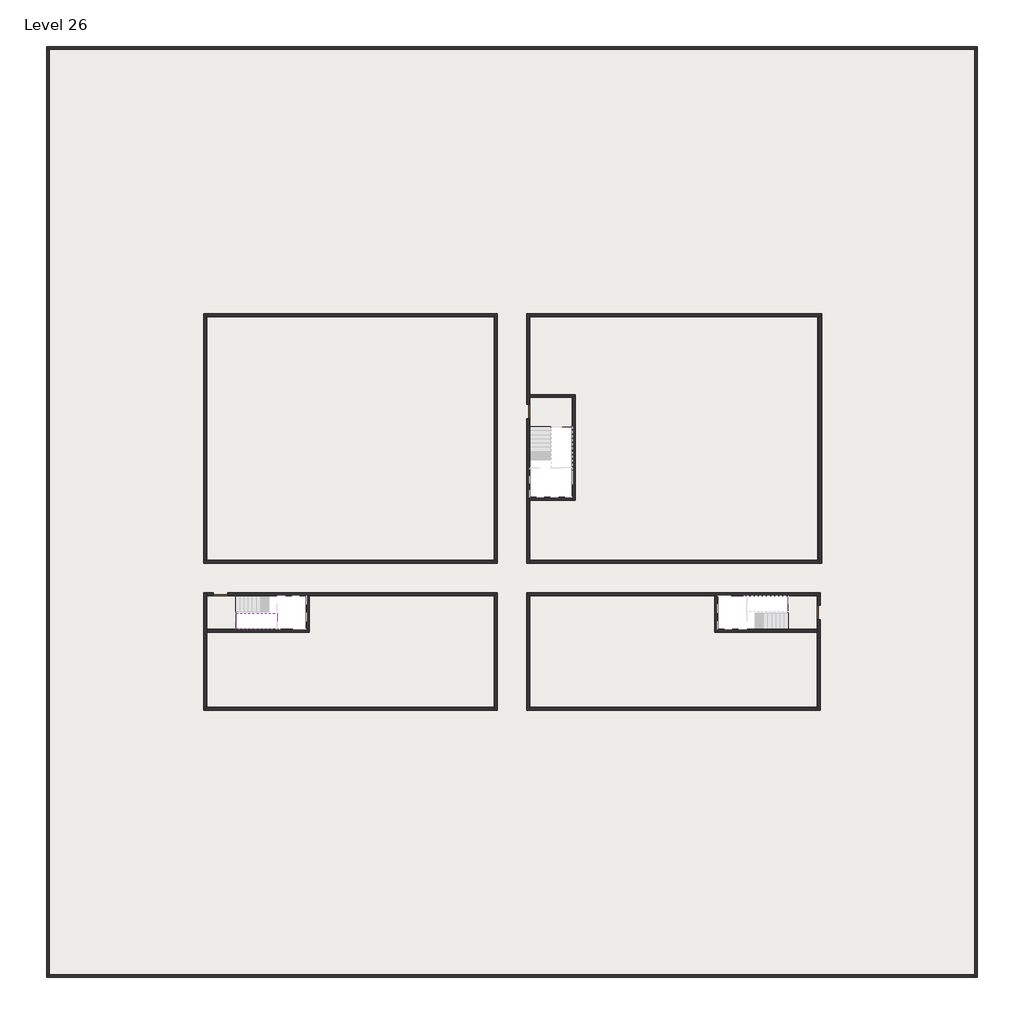
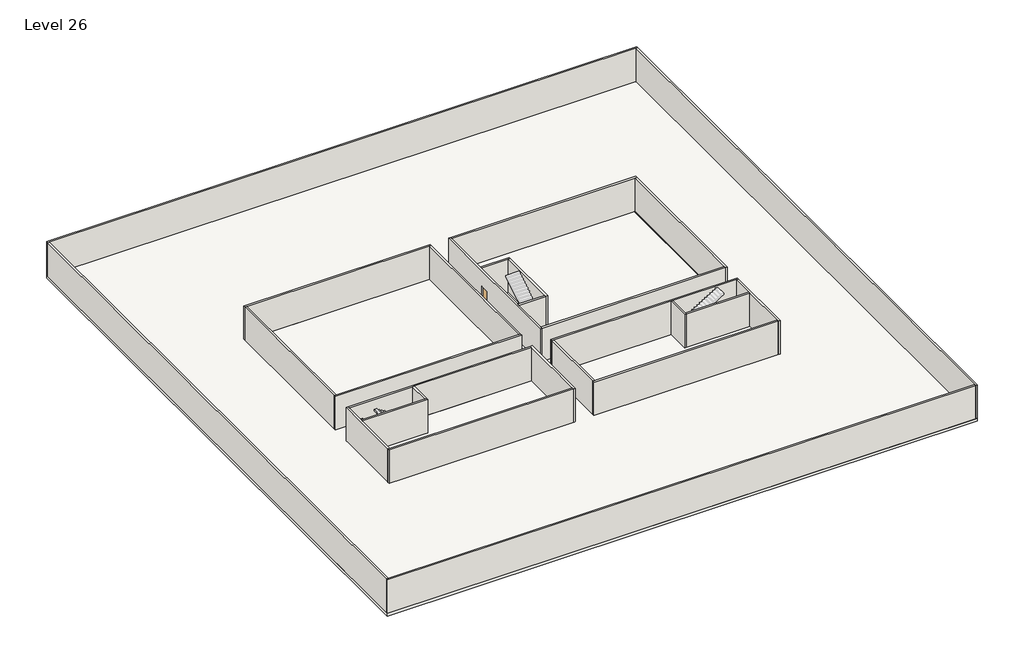
# One storey, part 1 of 2: 27 walls, 3 doors, 3 slabs, 1 stair flight.
"""IFC4 building model written with IfcOpenShell, lengths in millimetres."""

import ifcopenshell
import ifcopenshell.guid

model = None  # the IFC model being written
_history = None  # IfcOwnerHistory: only IFC2X3 demands one
_inside = {}  # id of a spatial element -> (the spatial element, [elements in it])
_under = {}  # id of a project, library or spatial element -> (it, [spatial elements below it])
_declared = {}  # id of a project -> (the project, [libraries it declares])
_typed = {}  # id of a type object -> (the type object, [elements of that type])
_made_of = {}  # id of a material, layer set ... -> (it, [elements and type objects made of it])


def new_model(schema):
    """Start an empty IFC model of exactly this schema.

    Asked for "IFC4X3", IfcOpenShell would pick the latest addendum, in which some entities
    have other attributes; the version numbers below select the first issue.
    IFC2X3 requires an IfcOwnerHistory on every rooted entity: one is made here for all.
    """
    global model, _history
    if schema == "IFC4X3":
        model = ifcopenshell.file(schema_version=(4, 3, 0, 0))
    else:
        model = ifcopenshell.file(schema=schema)
    _inside.clear()
    _under.clear()
    _declared.clear()
    _typed.clear()
    _made_of.clear()
    _history = None
    if model.schema == "IFC2X3":
        org = make("IfcOrganization", Name="unknown")
        user = make(
            "IfcPersonAndOrganization",
            ThePerson=make("IfcPerson", FamilyName="unknown"),
            TheOrganization=org,
        )
        app = make(
            "IfcApplication",
            ApplicationDeveloper=org,
            Version="unknown",
            ApplicationFullName="unknown",
            ApplicationIdentifier="unknown",
        )
        _history = make(
            "IfcOwnerHistory",
            OwningUser=user,
            OwningApplication=app,
            ChangeAction="ADDED",
            CreationDate=0,
        )
    return model


def make(cls, **values):
    """One entity of the class cls with the attributes given. An attribute that is None is left unset."""
    return model.create_entity(
        cls, **{name: value for name, value in values.items() if value is not None}
    )


def rooted(cls, **values):
    """An entity with a GlobalId (a new one), such as an element, a storey or a relation."""
    return make(cls, GlobalId=ifcopenshell.guid.new(), OwnerHistory=_history, **values)


def si_unit(unit_type, name, prefix=None):
    """IfcSIUnit, for example si_unit("LENGTHUNIT", "METRE", prefix="MILLI")."""
    return make("IfcSIUnit", UnitType=unit_type, Prefix=prefix, Name=name)


def assignment(units):
    """IfcUnitAssignment: the units of a project."""
    return None if units is None else make("IfcUnitAssignment", Units=units)


def point(xyz):
    """IfcCartesianPoint."""
    return None if xyz is None else make("IfcCartesianPoint", Coordinates=xyz)


def direction(xyz):
    """IfcDirection."""
    return None if xyz is None else make("IfcDirection", DirectionRatios=xyz)


def frame(location, z_axis=None, x_axis=None):
    """IfcAxis2Placement3D, a coordinate frame: its origin and axes. An axis left out is left unset."""
    return make(
        "IfcAxis2Placement3D",
        Location=point(location),
        Axis=direction(z_axis),
        RefDirection=direction(x_axis),
    )


def origin():
    """The frame at (0, 0, 0) with its axes left unset."""
    return frame((0.0, 0.0, 0.0))


def origin_with_axes():
    """The frame at (0, 0, 0) with the z axis (0, 0, 1) and the x axis (1, 0, 0) written out."""
    return frame((0.0, 0.0, 0.0), z_axis=(0.0, 0.0, 1.0), x_axis=(1.0, 0.0, 0.0))


def place(relative_to, where):
    """IfcLocalPlacement: puts the frame where relative to a parent placement (None: the world)."""
    return make(
        "IfcLocalPlacement", PlacementRelTo=relative_to, RelativePlacement=where
    )


def context(
    kind, dimensions, precision=None, world=None, true_north=None, identifier=None
):
    """IfcGeometricRepresentationContext, for example the 3D "Model" context."""
    return make(
        "IfcGeometricRepresentationContext",
        ContextIdentifier=identifier,
        ContextType=kind,
        CoordinateSpaceDimension=dimensions,
        Precision=precision,
        WorldCoordinateSystem=world,
        TrueNorth=true_north,
    )


def project(units=None, contexts=None):
    """IfcProject with its units and contexts."""
    return rooted(
        "IfcProject",
        Name="project",
        RepresentationContexts=contexts,
        UnitsInContext=assignment(units),
    )


def spatial(cls, under=None, at=None, **own):
    """A site, building, storey or space (cls), placed at a placement, below another one or the project."""
    s = rooted(cls, ObjectPlacement=at, **own)
    if under is not None:
        _under.setdefault(under.id(), (under, []))[1].append(s)
    return s


def polyline(points):
    """IfcPolyline through the points."""
    return make("IfcPolyline", Points=[point(p) for p in points])


def outline(outer, holes=None, kind="AREA"):
    """IfcArbitraryClosedProfileDef: a profile drawn as a closed curve; with holes, ...WithVoids."""
    if holes is None:
        return make("IfcArbitraryClosedProfileDef", ProfileType=kind, OuterCurve=outer)
    return make(
        "IfcArbitraryProfileDefWithVoids",
        ProfileType=kind,
        OuterCurve=outer,
        InnerCurves=holes,
    )


def extrude(swept, where, along, depth):
    """IfcExtrudedAreaSolid: the profile swept, set in the frame where, extruded along a direction by depth."""
    return make(
        "IfcExtrudedAreaSolid",
        SweptArea=swept,
        Position=where,
        ExtrudedDirection=direction(along),
        Depth=depth,
    )


def faces_of(points, faces, orient=None, outer=None):
    """IfcFace entities. A face is a list of loops; a loop is a list of indices into points, from 0.

    orient and outer hold one flag for each loop. By default every Orientation is true, the
    first loop of a face is its IfcFaceOuterBound and the others are IfcFaceBound.
    """
    made = []
    for i, loops in enumerate(faces):
        bounds = []
        for j, loop in enumerate(loops):
            is_outer = j == 0 if outer is None else outer[i][j]
            bounds.append(
                make(
                    "IfcFaceOuterBound" if is_outer else "IfcFaceBound",
                    Bound=make("IfcPolyLoop", Polygon=[points[k] for k in loop]),
                    Orientation=True if orient is None else orient[i][j],
                )
            )
        made.append(make("IfcFace", Bounds=bounds))
    return made


def faceted_brep(points, faces, orient=None, outer=None, voids=None):
    """IfcFacetedBrep: a solid bounded by flat faces; with voids (closed shells), ...WithVoids."""
    shared = [point(p) for p in points]
    hull = make("IfcClosedShell", CfsFaces=faces_of(shared, faces, orient, outer))
    if voids is None:
        return make("IfcFacetedBrep", Outer=hull)
    return make(
        "IfcFacetedBrepWithVoids",
        Outer=hull,
        Voids=[
            make(cls, CfsFaces=faces_of(shared, fs, o, b)) for cls, fs, o, b in voids
        ],
    )


def shape(context_of_items, identifier, shape_type, items):
    """IfcShapeRepresentation: the items that make up one representation, for example the "Body"."""
    return make(
        "IfcShapeRepresentation",
        ContextOfItems=context_of_items,
        RepresentationIdentifier=identifier,
        RepresentationType=shape_type,
        Items=items,
    )


def source(mapping_origin, context_of_items, identifier, shape_type, items):
    """IfcRepresentationMap: a shape defined once, which mapped items show again and again."""
    return make(
        "IfcRepresentationMap",
        MappingOrigin=mapping_origin,
        MappedRepresentation=shape(context_of_items, identifier, shape_type, items),
    )


def transform(
    local_origin,
    x_axis=None,
    y_axis=None,
    z_axis=None,
    scale=None,
    scale2=None,
    scale3=None,
    uniform=True,
):
    """IfcCartesianTransformationOperator3D, or its non-uniform kind. x_axis, y_axis, z_axis: its Axis1, 2, 3."""
    if uniform:
        return make(
            "IfcCartesianTransformationOperator3D",
            Axis1=direction(x_axis),
            Axis2=direction(y_axis),
            LocalOrigin=point(local_origin),
            Scale=scale,
            Axis3=direction(z_axis),
        )
    return make(
        "IfcCartesianTransformationOperator3DnonUniform",
        Axis1=direction(x_axis),
        Axis2=direction(y_axis),
        LocalOrigin=point(local_origin),
        Scale=scale,
        Axis3=direction(z_axis),
        Scale2=scale2,
        Scale3=scale3,
    )


def mapped(mapping_source, mapping_target):
    """IfcMappedItem: shows the shape of a source again, moved by a transform."""
    return make(
        "IfcMappedItem", MappingSource=mapping_source, MappingTarget=mapping_target
    )


def made_of(thing, what):
    """Note that an element or type object is made of a material, layer set ...; save() writes the relation."""
    if what is not None:
        _made_of.setdefault(what.id(), (what, []))[1].append(thing)
    return thing


def element(
    cls,
    number,
    at=None,
    inside=None,
    cuts=None,
    type_object=None,
    material=None,
    context=None,
    identifier="Body",
    shape_type=None,
    held_by="IfcProductDefinitionShape",
    body=None,
    shapes=None,
    **own,
):
    """One element of the class cls, such as IfcWall. Its Tag is "e" and its number.

    at: its placement. inside: the storey or other place that contains it. cuts: it is an
    opening in that element (IfcRelVoidsElement). A single representation is given by context,
    identifier, shape_type and body (its items); several are given by shapes. held_by: the class
    of the entity that holds the representations. save() writes the other relations.
    """
    e = rooted(cls, Tag="e%d" % number, ObjectPlacement=at, **own)
    if body is not None:
        shapes = [shape(context, identifier, shape_type, body)]
    if shapes is not None:
        e.Representation = make(held_by, Representations=shapes)
    if inside is not None:
        _inside.setdefault(inside.id(), (inside, []))[1].append(e)
    if cuts is not None:
        rooted(
            "IfcRelVoidsElement", RelatingBuildingElement=cuts, RelatedOpeningElement=e
        )
    if type_object is not None:
        _typed.setdefault(type_object.id(), (type_object, []))[1].append(e)
    return made_of(e, material)


def aggregate(whole, parts):
    """IfcRelAggregates: a whole, such as a stair, and the parts it consists of."""
    return rooted("IfcRelAggregates", RelatingObject=whole, RelatedObjects=parts)


def save(model, path):
    """Write the relations noted so far, then the file.

    IfcRelAggregates (storeys below a building ...), IfcRelContainedInSpatialStructure (elements
    in a storey), IfcRelDefinesByType, IfcRelAssociatesMaterial and IfcRelDeclares: one each for
    every whole, place, type object, material and project.
    """
    for whole, parts in _under.values():
        aggregate(whole, parts)
    for where, things in _inside.values():
        rooted(
            "IfcRelContainedInSpatialStructure",
            RelatedElements=things,
            RelatingStructure=where,
        )
    for kind, things in _typed.values():
        rooted("IfcRelDefinesByType", RelatedObjects=things, RelatingType=kind)
    for what, things in _made_of.values():
        rooted("IfcRelAssociatesMaterial", RelatedObjects=things, RelatingMaterial=what)
    for by, libraries in _declared.values():
        rooted("IfcRelDeclares", RelatingContext=by, RelatedDefinitions=libraries)
    model.write(path)


def door_fb3c37fd(model_context):
    return source(origin(), model_context, "Body", "SweptSolid", [
        extrude(outline(polyline([(500.0, 49.0), (-500.0, 49.0), (-500.0, 100.0), (500.0, 100.0), (500.0, 49.0)])), origin_with_axes(), (0.0, 0.0, 1.0), 2100.0),
    ])


def door_0317a72c(model_context):
    return source(origin(), model_context, "Body", "SweptSolid", [
        extrude(outline(polyline([(500.0, -49.0), (500.0, -100.0), (-500.0, -100.0), (-500.0, -49.0), (500.0, -49.0)])), origin_with_axes(), (0.0, 0.0, 1.0), 2100.0),
    ])


model = new_model("IFC4")

# Units and contexts
model_context = context("Model", 3, world=origin())
ifc_project = project(units=[si_unit("LENGTHUNIT", "METRE", prefix="MILLI")], contexts=[model_context])

# Site, building, storey
site = spatial("IfcSite", under=ifc_project)
building = spatial("IfcBuilding", under=site)
storey = spatial("IfcBuildingStorey", under=building, Name="Level 26", Elevation=95000.0)

# Doors
placement = place(None, origin())
door_shape = door_fb3c37fd(model_context)
element("IfcDoor", 1, at=placement, inside=storey, context=model_context, shape_type="MappedRepresentation", body=[
    mapped(door_shape, transform((4340.1058784, -42818.09644, 95000.0), x_axis=(-1.0, 0.0, 0.0), y_axis=(0.0, -1.0, 0.0), z_axis=(0.0, 0.0, 1.0))),
])
door_2_shape = door_0317a72c(model_context)
element("IfcDoor", 2, at=placement, inside=storey, context=model_context, shape_type="MappedRepresentation", body=[
    mapped(door_2_shape, transform((25290.1058784, -30368.09644, 95000.0), x_axis=(0.0, 1.0, 0.0), y_axis=(-1.0, 0.0, 0.0), z_axis=(0.0, 0.0, 1.0))),
])
element("IfcDoor", 3, at=placement, inside=storey, context=model_context, shape_type="MappedRepresentation", body=[
    mapped(door_2_shape, transform((45090.1058784, -44068.09644, 95000.0), x_axis=(0.0, -1.0, 0.0), y_axis=(1.0, 0.0, 0.0), z_axis=(0.0, 0.0, 1.0))),
])

# Slabs
element("IfcSlab", 4, at=placement, inside=storey, context=model_context, shape_type="SweptSolid", body=[
    extrude(outline(polyline([(55890.1058784, -5518.09644), (55890.1058784, -68918.09644), (-7509.8941216, -68918.09644), (-7509.8941216, -5518.09644), (55890.1058784, -5518.09644)]), holes=[polyline([(22990.1058784, -23918.09644), (3390.1058784, -23918.09644), (3390.1058784, -40518.09644), (22990.1058784, -40518.09644), (22990.1058784, -23918.09644)]), polyline([(44990.1058784, -23918.09644), (25390.1058784, -23918.09644), (25390.1058784, -40518.09644), (44990.1058784, -40518.09644), (44990.1058784, -23918.09644)]), polyline([(44990.1058784, -42918.09644), (25390.1058784, -42918.09644), (25390.1058784, -50518.09644), (44990.1058784, -50518.09644), (44990.1058784, -42918.09644)]), polyline([(22990.1058784, -42918.09644), (3390.1058784, -42918.09644), (3390.1058784, -50518.09644), (22990.1058784, -50518.09644), (22990.1058784, -42918.09644)])]), frame((0.0, 0.0, 94700.0), z_axis=(0.0, 0.0, 1.0), x_axis=(1.0, 0.0, 0.0)), (0.0, 0.0, 1.0), 300.0),
])
element("IfcSlab", 5, at=placement, inside=storey, context=model_context, shape_type="SweptSolid", body=[
    extrude(outline(polyline([(22990.1058784, -23918.09644), (22990.1058784, -40518.09644), (3390.1058784, -40518.09644), (3390.1058784, -23918.09644), (22990.1058784, -23918.09644)])), frame((0.0, 0.0, 94700.0), z_axis=(0.0, 0.0, 1.0), x_axis=(1.0, 0.0, 0.0)), (0.0, 0.0, 1.0), 300.0),
    extrude(outline(polyline([(44990.1058784, -23918.09644), (44990.1058784, -40518.09644), (25390.1058784, -40518.09644), (25390.1058784, -36418.09644), (28490.1058784, -36418.09644), (28490.1058784, -29218.09644), (25390.1058784, -29218.09644), (25390.1058784, -23918.09644), (44990.1058784, -23918.09644)])), frame((0.0, 0.0, 94700.0), z_axis=(0.0, 0.0, 1.0), x_axis=(1.0, 0.0, 0.0)), (0.0, 0.0, 1.0), 300.0),
    extrude(outline(polyline([(22990.1058784, -42918.09644), (22990.1058784, -50518.09644), (3390.1058784, -50518.09644), (3390.1058784, -45418.09644), (10390.1058784, -45418.09644), (10390.1058784, -42918.09644), (22990.1058784, -42918.09644)])), frame((0.0, 0.0, 94700.0), z_axis=(0.0, 0.0, 1.0), x_axis=(1.0, 0.0, 0.0)), (0.0, 0.0, 1.0), 300.0),
    extrude(outline(polyline([(37990.1058784, -42918.09644), (37990.1058784, -45418.09644), (44990.1058784, -45418.09644), (44990.1058784, -50518.09644), (25390.1058784, -50518.09644), (25390.1058784, -42918.09644), (37990.1058784, -42918.09644)])), frame((0.0, 0.0, 94700.0), z_axis=(0.0, 0.0, 1.0), x_axis=(1.0, 0.0, 0.0)), (0.0, 0.0, 1.0), 300.0),
])
element("IfcSlab", 6, at=placement, inside=storey, context=model_context, shape_type="SweptSolid", body=[
    extrude(outline(polyline([(44990.1058784, -42918.09644), (44990.1058784, -45218.09644), (42990.1058784, -45218.09644), (42990.1058784, -42918.09644), (44990.1058784, -42918.09644)])), frame((0.0, 0.0, 94700.0), z_axis=(0.0, 0.0, 1.0), x_axis=(1.0, 0.0, 0.0)), (0.0, 0.0, 1.0), 300.0),
    extrude(outline(polyline([(5390.1058784, -42918.09644), (5390.1058784, -45218.09644), (3390.1058784, -45218.09644), (3390.1058784, -42918.09644), (5390.1058784, -42918.09644)])), frame((0.0, 0.0, 94700.0), z_axis=(0.0, 0.0, 1.0), x_axis=(1.0, 0.0, 0.0)), (0.0, 0.0, 1.0), 300.0),
    extrude(outline(polyline([(28290.1058784, -29418.09644), (28290.1058784, -31418.09644), (25390.1058784, -31418.09644), (25390.1058784, -29418.09644), (28290.1058784, -29418.09644)])), frame((0.0, 0.0, 94700.0), z_axis=(0.0, 0.0, 1.0), x_axis=(1.0, 0.0, 0.0)), (0.0, 0.0, 1.0), 300.0),
])

# Stair flight
element("IfcStairFlight", 7, at=placement, inside=storey, context=model_context, shape_type="Brep", body=[
    faceted_brep([(7910.1058784, -45218.09644, 97072.7272727), (8190.1058784, -45218.09644, 97072.7272727), (8190.1058784, -44118.09644, 97072.7272727), (7910.1058784, -44118.09644, 97072.7272727), (7910.1058784, -45218.09644, 96896.4823932), (8190.1058784, -45218.09644, 96723.7551205), (8190.1058784, -45218.09644, 96900.0), (8190.1058784, -44118.09644, 96723.7551205), (7910.1058784, -44118.09644, 96896.4823932), (7630.1058784, -45218.09644, 97245.4545455), (7910.1058784, -45218.09644, 97245.4545455), (7910.1058784, -44118.09644, 97245.4545455), (7630.1058784, -44118.09644, 97245.4545455), (7630.1058784, -45218.09644, 97069.209666), (7630.1058784, -44118.09644, 97069.209666), (7350.1058784, -45218.09644, 97418.1818182), (7630.1058784, -45218.09644, 97418.1818182), (7630.1058784, -44118.09644, 97418.1818182), (7350.1058784, -44118.09644, 97418.1818182), (7350.1058784, -45218.09644, 97241.9369387), (7350.1058784, -44118.09644, 97241.9369387), (7070.1058784, -45218.09644, 97590.9090909), (7350.1058784, -45218.09644, 97590.9090909), (7350.1058784, -44118.09644, 97590.9090909), (7070.1058784, -44118.09644, 97590.9090909), (7070.1058784, -45218.09644, 97414.6642114), (7070.1058784, -44118.09644, 97414.6642114), (6790.1058784, -45218.09644, 97763.6363636), (7070.1058784, -45218.09644, 97763.6363636), (7070.1058784, -44118.09644, 97763.6363636), (6790.1058784, -44118.09644, 97763.6363636), (6790.1058784, -45218.09644, 97587.3914841), (6790.1058784, -44118.09644, 97587.3914841), (6510.1058784, -45218.09644, 97936.3636364), (6790.1058784, -45218.09644, 97936.3636364), (6790.1058784, -44118.09644, 97936.3636364), (6510.1058784, -44118.09644, 97936.3636364), (6510.1058784, -45218.09644, 97760.1187569), (6510.1058784, -44118.09644, 97760.1187569), (6230.1058784, -45218.09644, 98109.0909091), (6510.1058784, -45218.09644, 98109.0909091), (6510.1058784, -44118.09644, 98109.0909091), (6230.1058784, -44118.09644, 98109.0909091), (6230.1058784, -45218.09644, 97932.8460296), (6230.1058784, -44118.09644, 97932.8460296), (5950.1058784, -45218.09644, 98281.8181818), (6230.1058784, -45218.09644, 98281.8181818), (6230.1058784, -44118.09644, 98281.8181818), (5950.1058784, -44118.09644, 98281.8181818), (5950.1058784, -45218.09644, 98105.5733023), (5950.1058784, -44118.09644, 98105.5733023), (5670.1058784, -45218.09644, 98454.5454545), (5950.1058784, -45218.09644, 98454.5454545), (5950.1058784, -44118.09644, 98454.5454545), (5670.1058784, -44118.09644, 98454.5454545), (5670.1058784, -45218.09644, 98278.3005751), (5670.1058784, -44118.09644, 98278.3005751), (5390.1058784, -45218.09644, 98627.2727273), (5670.1058784, -45218.09644, 98627.2727273), (5670.1058784, -44118.09644, 98627.2727273), (5390.1058784, -44118.09644, 98627.2727273), (5390.1058784, -45218.09644, 98451.0278478), (5390.1058784, -44118.09644, 98451.0278478)], [[[0, 1, 2, 3]], [[1, 0, 4, 5, 6]], [[2, 1, 6, 5, 7]], [[3, 2, 7, 8]], [[9, 10, 11, 12]], [[10, 9, 13, 4, 0]], [[11, 10, 0, 3]], [[12, 11, 3, 8, 14]], [[15, 16, 17, 18]], [[16, 15, 19, 13, 9]], [[17, 16, 9, 12]], [[18, 17, 12, 14, 20]], [[21, 22, 23, 24]], [[22, 21, 25, 19, 15]], [[23, 22, 15, 18]], [[24, 23, 18, 20, 26]], [[27, 28, 29, 30]], [[28, 27, 31, 25, 21]], [[29, 28, 21, 24]], [[30, 29, 24, 26, 32]], [[33, 34, 35, 36]], [[34, 33, 37, 31, 27]], [[35, 34, 27, 30]], [[36, 35, 30, 32, 38]], [[39, 40, 41, 42]], [[40, 39, 43, 37, 33]], [[41, 40, 33, 36]], [[42, 41, 36, 38, 44]], [[45, 46, 47, 48]], [[46, 45, 49, 43, 39]], [[47, 46, 39, 42]], [[48, 47, 42, 44, 50]], [[51, 52, 53, 54]], [[52, 51, 55, 49, 45]], [[53, 52, 45, 48]], [[54, 53, 48, 50, 56]], [[57, 58, 59, 60]], [[58, 57, 61, 55, 51]], [[59, 58, 51, 54]], [[60, 59, 54, 56, 62]], [[57, 60, 62, 61]], [[5, 4, 13, 19, 25, 31, 37, 43, 49, 55, 61, 62, 56, 50, 44, 38, 32, 26, 20, 14, 8, 7]]]),
])

# Walls
element("IfcWall", 8, at=placement, inside=storey, context=model_context, shape_type="Brep", body=[
    faceted_brep([(-7509.8941216, -5718.09644, 95000.0), (-7309.8941216, -5718.09644, 95000.0), (55690.1058784, -5718.09644, 95000.0), (55890.1058784, -5718.09644, 95000.0), (55890.1058784, -5718.09644, 98800.0), (55690.1058784, -5718.09644, 98800.0), (-7309.8941216, -5718.09644, 98800.0), (-7509.8941216, -5718.09644, 98800.0), (-7509.8941216, -5518.09644, 95000.0), (-7509.8941216, -5518.09644, 98800.0), (55890.1058784, -5518.09644, 98800.0), (55890.1058784, -5518.09644, 95000.0)], [[[0, 1, 2, 3, 4, 5, 6, 7]], [[8, 9, 10, 11]], [[3, 2, 1, 0, 8, 11]], [[7, 6, 5, 4, 10, 9]], [[4, 3, 11, 10]], [[0, 7, 9, 8]]]),
])
element("IfcWall", 9, at=placement, inside=storey, context=model_context, shape_type="Brep", body=[
    faceted_brep([(55690.1058784, -5718.09644, 95000.0), (55690.1058784, -68718.09644, 95000.0), (55690.1058784, -68918.09644, 95000.0), (55690.1058784, -68918.09644, 98800.0), (55690.1058784, -68718.09644, 98800.0), (55690.1058784, -5718.09644, 98800.0), (55890.1058784, -5718.09644, 95000.0), (55890.1058784, -5718.09644, 98800.0), (55890.1058784, -68918.09644, 98800.0), (55890.1058784, -68918.09644, 95000.0)], [[[0, 1, 2, 3, 4, 5]], [[6, 7, 8, 9]], [[2, 1, 0, 6, 9]], [[5, 4, 3, 8, 7]], [[0, 5, 7, 6]], [[3, 2, 9, 8]]]),
])
element("IfcWall", 10, at=placement, inside=storey, context=model_context, shape_type="Brep", body=[
    faceted_brep([(55690.1058784, -68718.09644, 95000.0), (-7309.8941216, -68718.09644, 95000.0), (-7509.8941216, -68718.09644, 95000.0), (-7509.8941216, -68718.09644, 98800.0), (-7309.8941216, -68718.09644, 98800.0), (55690.1058784, -68718.09644, 98800.0), (55690.1058784, -68918.09644, 95000.0), (55690.1058784, -68918.09644, 98800.0), (-7509.8941216, -68918.09644, 98800.0), (-7509.8941216, -68918.09644, 95000.0)], [[[0, 1, 2, 3, 4, 5]], [[6, 7, 8, 9]], [[2, 1, 0, 6, 9]], [[5, 4, 3, 8, 7]], [[0, 5, 7, 6]], [[3, 2, 9, 8]]]),
])
element("IfcWall", 11, at=placement, inside=storey, context=model_context, shape_type="SweptSolid", body=[
    extrude(outline(polyline([(-7309.8941216, -5718.09644), (-7309.8941216, -68718.09644), (-7509.8941216, -68718.09644), (-7509.8941216, -5718.09644), (-7309.8941216, -5718.09644)])), frame((0.0, 0.0, 95000.0), z_axis=(0.0, 0.0, 1.0), x_axis=(1.0, 0.0, 0.0)), (0.0, 0.0, 1.0), 3800.0),
])
element("IfcWall", 12, at=placement, inside=storey, context=model_context, shape_type="Brep", body=[
    faceted_brep([(3190.1058784, -23918.09644, 95000.0), (3390.1058784, -23918.09644, 95000.0), (22990.1058784, -23918.09644, 95000.0), (23190.1058784, -23918.09644, 95000.0), (23190.1058784, -23918.09644, 98800.0), (22990.1058784, -23918.09644, 98800.0), (3390.1058784, -23918.09644, 98800.0), (3190.1058784, -23918.09644, 98800.0), (3190.1058784, -23718.09644, 95000.0), (3190.1058784, -23718.09644, 98800.0), (23190.1058784, -23718.09644, 98800.0), (23190.1058784, -23718.09644, 95000.0)], [[[0, 1, 2, 3, 4, 5, 6, 7]], [[8, 9, 10, 11]], [[3, 2, 1, 0, 8, 11]], [[7, 6, 5, 4, 10, 9]], [[0, 7, 9, 8]], [[4, 3, 11, 10]]]),
])
element("IfcWall", 13, at=placement, inside=storey, context=model_context, shape_type="Brep", body=[
    faceted_brep([(45090.1058784, -23918.09644, 95000.0), (45090.1058784, -40518.09644, 95000.0), (45090.1058784, -40718.09644, 95000.0), (45090.1058784, -40718.09644, 98800.0), (45090.1058784, -40518.09644, 98800.0), (45090.1058784, -23918.09644, 98800.0), (45290.1058784, -23918.09644, 95000.0), (45290.1058784, -23918.09644, 98800.0), (45290.1058784, -40718.09644, 98800.0), (45290.1058784, -40718.09644, 95000.0)], [[[0, 1, 2, 3, 4, 5]], [[6, 7, 8, 9]], [[2, 1, 0, 6, 9]], [[5, 4, 3, 8, 7]], [[3, 2, 9, 8]], [[0, 5, 7, 6]]]),
])
element("IfcWall", 14, at=placement, inside=storey, context=model_context, shape_type="Brep", body=[
    faceted_brep([(44990.1058784, -50518.09644, 95000.0), (25390.1058784, -50518.09644, 95000.0), (25190.1058784, -50518.09644, 95000.0), (25190.1058784, -50518.09644, 98800.0), (25390.1058784, -50518.09644, 98800.0), (44990.1058784, -50518.09644, 98800.0), (44990.1058784, -50718.09644, 95000.0), (44990.1058784, -50718.09644, 98800.0), (25190.1058784, -50718.09644, 98800.0), (25190.1058784, -50718.09644, 95000.0)], [[[0, 1, 2, 3, 4, 5]], [[6, 7, 8, 9]], [[2, 1, 0, 6, 9]], [[5, 4, 3, 8, 7]], [[3, 2, 9, 8]], [[0, 5, 7, 6]]]),
])
element("IfcWall", 15, at=placement, inside=storey, context=model_context, shape_type="Brep", body=[
    faceted_brep([(3390.1058784, -50518.09644, 95000.0), (3390.1058784, -45418.09644, 95000.0), (3390.1058784, -45218.09644, 95000.0), (3390.1058784, -42918.09644, 95000.0), (3390.1058784, -42718.09644, 95000.0), (3390.1058784, -42718.09644, 98800.0), (3390.1058784, -42918.09644, 98800.0), (3390.1058784, -45218.09644, 98800.0), (3390.1058784, -45418.09644, 98800.0), (3390.1058784, -50518.09644, 98800.0), (3190.1058784, -50518.09644, 95000.0), (3190.1058784, -50518.09644, 98800.0), (3190.1058784, -42718.09644, 98800.0), (3190.1058784, -42718.09644, 95000.0)], [[[0, 1, 2, 3, 4, 5, 6, 7, 8, 9]], [[10, 11, 12, 13]], [[4, 3, 2, 1, 0, 10, 13]], [[9, 8, 7, 6, 5, 12, 11]], [[0, 9, 11, 10]], [[5, 4, 13, 12]]]),
])
element("IfcWall", 16, at=placement, inside=storey, context=model_context, shape_type="SweptSolid", body=[
    extrude(outline(polyline([(22990.1058784, -40518.09644), (22990.1058784, -23918.09644), (23190.1058784, -23918.09644), (23190.1058784, -40518.09644), (22990.1058784, -40518.09644)])), frame((0.0, 0.0, 95000.0), z_axis=(0.0, 0.0, 1.0), x_axis=(1.0, 0.0, 0.0)), (0.0, 0.0, 1.0), 3800.0),
])
element("IfcWall", 17, at=placement, inside=storey, context=model_context, shape_type="Brep", body=[
    faceted_brep([(23190.1058784, -40518.09644, 95000.0), (22990.1058784, -40518.09644, 95000.0), (3390.1058784, -40518.09644, 95000.0), (3190.1058784, -40518.09644, 95000.0), (3190.1058784, -40518.09644, 98800.0), (3390.1058784, -40518.09644, 98800.0), (22990.1058784, -40518.09644, 98800.0), (23190.1058784, -40518.09644, 98800.0), (23190.1058784, -40718.09644, 95000.0), (23190.1058784, -40718.09644, 98800.0), (3190.1058784, -40718.09644, 98800.0), (3190.1058784, -40718.09644, 95000.0)], [[[0, 1, 2, 3, 4, 5, 6, 7]], [[8, 9, 10, 11]], [[3, 2, 1, 0, 8, 11]], [[7, 6, 5, 4, 10, 9]], [[4, 3, 11, 10]], [[0, 7, 9, 8]]]),
])
element("IfcWall", 18, at=placement, inside=storey, context=model_context, shape_type="Brep", body=[
    faceted_brep([(3390.1058784, -42918.09644, 95000.0), (3840.1058784, -42918.09644, 95000.0), (3840.1058784, -42918.09644, 97100.0), (4840.1058784, -42918.09644, 97100.0), (4840.1058784, -42918.09644, 95000.0), (10190.1058784, -42918.09644, 95000.0), (10390.1058784, -42918.09644, 95000.0), (22990.1058784, -42918.09644, 95000.0), (22990.1058784, -42918.09644, 98800.0), (10390.1058784, -42918.09644, 98800.0), (10190.1058784, -42918.09644, 98800.0), (3390.1058784, -42918.09644, 98800.0), (3840.1058784, -42718.09644, 97100.0), (3840.1058784, -42718.09644, 95000.0), (3390.1058784, -42718.09644, 95000.0), (3390.1058784, -42718.09644, 98800.0), (22990.1058784, -42718.09644, 98800.0), (22990.1058784, -42718.09644, 95000.0), (4840.1058784, -42718.09644, 95000.0), (4840.1058784, -42718.09644, 97100.0)], [[[0, 1, 2, 3, 4, 5, 6, 7, 8, 9, 10, 11]], [[12, 13, 14, 15, 16, 17, 18, 19]], [[18, 17, 7, 6, 5, 4]], [[14, 13, 1, 0]], [[11, 10, 9, 8, 16, 15]], [[2, 1, 13, 12]], [[3, 2, 12, 19]], [[4, 3, 19, 18]], [[0, 11, 15, 14]], [[8, 7, 17, 16]]]),
])
element("IfcWall", 19, at=placement, inside=storey, context=model_context, shape_type="SweptSolid", body=[
    extrude(outline(polyline([(25390.1058784, -40518.09644), (45090.1058784, -40518.09644), (45090.1058784, -40718.09644), (25390.1058784, -40718.09644), (25390.1058784, -40518.09644)])), frame((0.0, 0.0, 95000.0), z_axis=(0.0, 0.0, 1.0), x_axis=(1.0, 0.0, 0.0)), (0.0, 0.0, 1.0), 3800.0),
])
element("IfcWall", 20, at=placement, inside=storey, context=model_context, shape_type="Brep", body=[
    faceted_brep([(25390.1058784, -29868.09644, 97100.0), (25390.1058784, -29868.09644, 95000.0), (25390.1058784, -29418.09644, 95000.0), (25390.1058784, -29218.09644, 95000.0), (25390.1058784, -23918.09644, 95000.0), (25390.1058784, -23718.09644, 95000.0), (25390.1058784, -23718.09644, 98800.0), (25390.1058784, -23918.09644, 98800.0), (25390.1058784, -29218.09644, 98800.0), (25390.1058784, -29418.09644, 98800.0), (25390.1058784, -36218.09644, 98800.0), (25390.1058784, -36418.09644, 98800.0), (25390.1058784, -40518.09644, 98800.0), (25390.1058784, -40718.09644, 98800.0), (25390.1058784, -40718.09644, 95000.0), (25390.1058784, -40518.09644, 95000.0), (25390.1058784, -36418.09644, 95000.0), (25390.1058784, -36218.09644, 95000.0), (25390.1058784, -30868.09644, 95000.0), (25390.1058784, -30868.09644, 97100.0), (25190.1058784, -23718.09644, 95000.0), (25190.1058784, -29868.09644, 95000.0), (25190.1058784, -29868.09644, 97100.0), (25190.1058784, -30868.09644, 97100.0), (25190.1058784, -30868.09644, 95000.0), (25190.1058784, -40718.09644, 95000.0), (25190.1058784, -40718.09644, 98800.0), (25190.1058784, -23718.09644, 98800.0)], [[[0, 1, 2, 3, 4, 5, 6, 7, 8, 9, 10, 11, 12, 13, 14, 15, 16, 17, 18, 19]], [[20, 21, 22, 23, 24, 25, 26, 27]], [[5, 4, 3, 2, 1, 21, 20]], [[18, 17, 16, 15, 14, 25, 24]], [[13, 12, 11, 10, 9, 8, 7, 6, 27, 26]], [[22, 21, 1, 0]], [[23, 22, 0, 19]], [[24, 23, 19, 18]], [[14, 13, 26, 25]], [[6, 5, 20, 27]]]),
])
element("IfcWall", 21, at=placement, inside=storey, context=model_context, shape_type="SweptSolid", body=[
    extrude(outline(polyline([(3390.1058784, -23918.09644), (3390.1058784, -40518.09644), (3190.1058784, -40518.09644), (3190.1058784, -23918.09644), (3390.1058784, -23918.09644)])), frame((0.0, 0.0, 95000.0), z_axis=(0.0, 0.0, 1.0), x_axis=(1.0, 0.0, 0.0)), (0.0, 0.0, 1.0), 3800.0),
])
element("IfcWall", 22, at=placement, inside=storey, context=model_context, shape_type="Brep", body=[
    faceted_brep([(25390.1058784, -23918.09644, 95000.0), (45090.1058784, -23918.09644, 95000.0), (45290.1058784, -23918.09644, 95000.0), (45290.1058784, -23918.09644, 98800.0), (45090.1058784, -23918.09644, 98800.0), (25390.1058784, -23918.09644, 98800.0), (25390.1058784, -23718.09644, 95000.0), (25390.1058784, -23718.09644, 98800.0), (45290.1058784, -23718.09644, 98800.0), (45290.1058784, -23718.09644, 95000.0)], [[[0, 1, 2, 3, 4, 5]], [[6, 7, 8, 9]], [[2, 1, 0, 6, 9]], [[5, 4, 3, 8, 7]], [[3, 2, 9, 8]], [[0, 5, 7, 6]]]),
])
element("IfcWall", 23, at=placement, inside=storey, context=model_context, shape_type="Brep", body=[
    faceted_brep([(44990.1058784, -44568.09644, 97100.0), (44990.1058784, -44568.09644, 95000.0), (44990.1058784, -45218.09644, 95000.0), (44990.1058784, -45418.09644, 95000.0), (44990.1058784, -50518.09644, 95000.0), (44990.1058784, -50718.09644, 95000.0), (44990.1058784, -50718.09644, 98800.0), (44990.1058784, -50518.09644, 98800.0), (44990.1058784, -45418.09644, 98800.0), (44990.1058784, -45218.09644, 98800.0), (44990.1058784, -42918.09644, 98800.0), (44990.1058784, -42918.09644, 95000.0), (44990.1058784, -43568.09644, 95000.0), (44990.1058784, -43568.09644, 97100.0), (45190.1058784, -50718.09644, 95000.0), (45190.1058784, -44568.09644, 95000.0), (45190.1058784, -44568.09644, 97100.0), (45190.1058784, -43568.09644, 97100.0), (45190.1058784, -43568.09644, 95000.0), (45190.1058784, -42918.09644, 95000.0), (45190.1058784, -42918.09644, 98800.0), (45190.1058784, -50718.09644, 98800.0)], [[[0, 1, 2, 3, 4, 5, 6, 7, 8, 9, 10, 11, 12, 13]], [[14, 15, 16, 17, 18, 19, 20, 21]], [[12, 11, 19, 18]], [[5, 4, 3, 2, 1, 15, 14]], [[10, 9, 8, 7, 6, 21, 20]], [[16, 15, 1, 0]], [[17, 16, 0, 13]], [[18, 17, 13, 12]], [[6, 5, 14, 21]], [[11, 10, 20, 19]]]),
])
element("IfcWall", 24, at=placement, inside=storey, context=model_context, shape_type="Brep", body=[
    faceted_brep([(25390.1058784, -29418.09644, 95000.0), (28290.1058784, -29418.09644, 95000.0), (28490.1058784, -29418.09644, 95000.0), (28490.1058784, -29418.09644, 98800.0), (28290.1058784, -29418.09644, 98800.0), (25390.1058784, -29418.09644, 98800.0), (25390.1058784, -29218.09644, 95000.0), (25390.1058784, -29218.09644, 98800.0), (28490.1058784, -29218.09644, 98800.0), (28490.1058784, -29218.09644, 95000.0)], [[[0, 1, 2, 3, 4, 5]], [[6, 7, 8, 9]], [[2, 1, 0, 6, 9]], [[5, 4, 3, 8, 7]], [[3, 2, 9, 8]], [[0, 5, 7, 6]]]),
])
element("IfcWall", 25, at=placement, inside=storey, context=model_context, shape_type="Brep", body=[
    faceted_brep([(28290.1058784, -29418.09644, 95000.0), (28290.1058784, -36218.09644, 95000.0), (28290.1058784, -36418.09644, 95000.0), (28290.1058784, -36418.09644, 98800.0), (28290.1058784, -36218.09644, 98800.0), (28290.1058784, -29418.09644, 98800.0), (28490.1058784, -29418.09644, 95000.0), (28490.1058784, -29418.09644, 98800.0), (28490.1058784, -36418.09644, 98800.0), (28490.1058784, -36418.09644, 95000.0)], [[[0, 1, 2, 3, 4, 5]], [[6, 7, 8, 9]], [[2, 1, 0, 6, 9]], [[5, 4, 3, 8, 7]], [[3, 2, 9, 8]], [[0, 5, 7, 6]]]),
])
element("IfcWall", 26, at=placement, inside=storey, context=model_context, shape_type="SweptSolid", body=[
    extrude(outline(polyline([(25390.1058784, -36218.09644), (28290.1058784, -36218.09644), (28290.1058784, -36418.09644), (25390.1058784, -36418.09644), (25390.1058784, -36218.09644)])), frame((0.0, 0.0, 95000.0), z_axis=(0.0, 0.0, 1.0), x_axis=(1.0, 0.0, 0.0)), (0.0, 0.0, 1.0), 3800.0),
])
element("IfcWall", 27, at=placement, inside=storey, context=model_context, shape_type="Brep", body=[
    faceted_brep([(3390.1058784, -45418.09644, 95000.0), (10390.1058784, -45418.09644, 95000.0), (10390.1058784, -45418.09644, 98800.0), (3390.1058784, -45418.09644, 98800.0), (3390.1058784, -45218.09644, 95000.0), (3390.1058784, -45218.09644, 98800.0), (10190.1058784, -45218.09644, 98800.0), (10390.1058784, -45218.09644, 98800.0), (10390.1058784, -45218.09644, 95000.0), (10190.1058784, -45218.09644, 95000.0)], [[[0, 1, 2, 3]], [[4, 5, 6, 7, 8, 9]], [[1, 0, 4, 9, 8]], [[3, 2, 7, 6, 5]], [[2, 1, 8, 7]], [[0, 3, 5, 4]]]),
])
element("IfcWall", 28, at=placement, inside=storey, context=model_context, shape_type="SweptSolid", body=[
    extrude(outline(polyline([(10390.1058784, -42918.09644), (10390.1058784, -45218.09644), (10190.1058784, -45218.09644), (10190.1058784, -42918.09644), (10390.1058784, -42918.09644)])), frame((0.0, 0.0, 95000.0), z_axis=(0.0, 0.0, 1.0), x_axis=(1.0, 0.0, 0.0)), (0.0, 0.0, 1.0), 3800.0),
])
element("IfcWall", 29, at=placement, inside=storey, context=model_context, shape_type="Brep", body=[
    faceted_brep([(37990.1058784, -42918.09644, 95000.0), (37990.1058784, -45418.09644, 95000.0), (37990.1058784, -45418.09644, 98800.0), (37990.1058784, -42918.09644, 98800.0), (38190.1058784, -42918.09644, 95000.0), (38190.1058784, -42918.09644, 98800.0), (38190.1058784, -45218.09644, 98800.0), (38190.1058784, -45418.09644, 98800.0), (38190.1058784, -45418.09644, 95000.0), (38190.1058784, -45218.09644, 95000.0)], [[[0, 1, 2, 3]], [[4, 5, 6, 7, 8, 9]], [[1, 0, 4, 9, 8]], [[3, 2, 7, 6, 5]], [[2, 1, 8, 7]], [[0, 3, 5, 4]]]),
])
element("IfcWall", 30, at=placement, inside=storey, context=model_context, shape_type="SweptSolid", body=[
    extrude(outline(polyline([(44990.1058784, -45418.09644), (38190.1058784, -45418.09644), (38190.1058784, -45218.09644), (44990.1058784, -45218.09644), (44990.1058784, -45418.09644)])), frame((0.0, 0.0, 95000.0), z_axis=(0.0, 0.0, 1.0), x_axis=(1.0, 0.0, 0.0)), (0.0, 0.0, 1.0), 3800.0),
])
element("IfcWall", 31, at=placement, inside=storey, context=model_context, shape_type="SweptSolid", body=[
    extrude(outline(polyline([(25190.1058784, -50518.09644), (25190.1058784, -42918.09644), (25390.1058784, -42918.09644), (25390.1058784, -50518.09644), (25190.1058784, -50518.09644)])), frame((0.0, 0.0, 95000.0), z_axis=(0.0, 0.0, 1.0), x_axis=(1.0, 0.0, 0.0)), (0.0, 0.0, 1.0), 3800.0),
])
element("IfcWall", 32, at=placement, inside=storey, context=model_context, shape_type="Brep", body=[
    faceted_brep([(22990.1058784, -42718.09644, 95000.0), (22990.1058784, -42918.09644, 95000.0), (22990.1058784, -50518.09644, 95000.0), (22990.1058784, -50718.09644, 95000.0), (22990.1058784, -50718.09644, 98800.0), (22990.1058784, -50518.09644, 98800.0), (22990.1058784, -42918.09644, 98800.0), (22990.1058784, -42718.09644, 98800.0), (23190.1058784, -42718.09644, 95000.0), (23190.1058784, -42718.09644, 98800.0), (23190.1058784, -50718.09644, 98800.0), (23190.1058784, -50718.09644, 95000.0)], [[[0, 1, 2, 3, 4, 5, 6, 7]], [[8, 9, 10, 11]], [[3, 2, 1, 0, 8, 11]], [[7, 6, 5, 4, 10, 9]], [[4, 3, 11, 10]], [[0, 7, 9, 8]]]),
])
element("IfcWall", 33, at=placement, inside=storey, context=model_context, shape_type="Brep", body=[
    faceted_brep([(25190.1058784, -42918.09644, 95000.0), (25390.1058784, -42918.09644, 95000.0), (37990.1058784, -42918.09644, 95000.0), (38190.1058784, -42918.09644, 95000.0), (44990.1058784, -42918.09644, 95000.0), (45190.1058784, -42918.09644, 95000.0), (45190.1058784, -42918.09644, 98800.0), (44990.1058784, -42918.09644, 98800.0), (38190.1058784, -42918.09644, 98800.0), (37990.1058784, -42918.09644, 98800.0), (25390.1058784, -42918.09644, 98800.0), (25190.1058784, -42918.09644, 98800.0), (25190.1058784, -42718.09644, 95000.0), (25190.1058784, -42718.09644, 98800.0), (45190.1058784, -42718.09644, 98800.0), (45190.1058784, -42718.09644, 95000.0)], [[[0, 1, 2, 3, 4, 5, 6, 7, 8, 9, 10, 11]], [[12, 13, 14, 15]], [[5, 4, 3, 2, 1, 0, 12, 15]], [[11, 10, 9, 8, 7, 6, 14, 13]], [[0, 11, 13, 12]], [[6, 5, 15, 14]]]),
])
element("IfcWall", 34, at=placement, inside=storey, context=model_context, shape_type="Brep", body=[
    faceted_brep([(22990.1058784, -50518.09644, 95000.0), (3390.1058784, -50518.09644, 95000.0), (3190.1058784, -50518.09644, 95000.0), (3190.1058784, -50518.09644, 98800.0), (3390.1058784, -50518.09644, 98800.0), (22990.1058784, -50518.09644, 98800.0), (22990.1058784, -50718.09644, 95000.0), (22990.1058784, -50718.09644, 98800.0), (3190.1058784, -50718.09644, 98800.0), (3190.1058784, -50718.09644, 95000.0)], [[[0, 1, 2, 3, 4, 5]], [[6, 7, 8, 9]], [[2, 1, 0, 6, 9]], [[5, 4, 3, 8, 7]], [[3, 2, 9, 8]], [[0, 5, 7, 6]]]),
])

save(model, "model.ifc")
